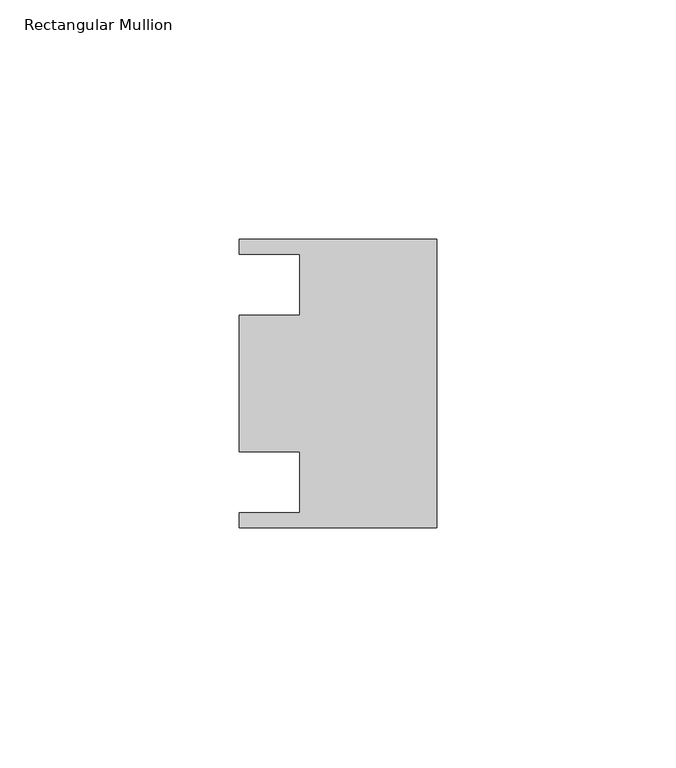
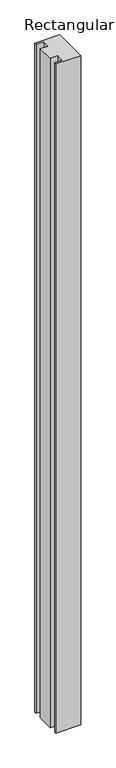
"""IFC4 building model written with IfcOpenShell, lengths in millimetres: member geometry, Rectangular Mullion."""

from ifc_helpers import new_model, si_unit, frame, origin, place, context, project, spatial, polyline, outline, extrude, source, transform, mapped, element, save


def rectangular_mullion_6059dc64(model_context):
    return source(origin(), model_context, "Body", "SweptSolid", [
        extrude(outline(polyline([(0.0, -30.1625), (-41.275, -30.1625), (-41.275, -26.9875), (-28.575, -26.9875), (-28.575, -14.2875), (-41.275, -14.2875), (-41.275, 14.2875), (-28.575, 14.2875), (-28.575, 26.9875), (-41.275, 26.9875), (-41.275, 30.1625), (0.0, 30.1625), (0.0, -30.1625)])), frame((0.0, 0.0, -1177.925), z_axis=(0.0, 0.0, 1.0), x_axis=(1.0, 0.0, 0.0)), (0.0, 0.0, 1.0), 1177.925),
    ])


if __name__ == "__main__":
    model = new_model("IFC4")
    model_context = context("Model", 3, world=origin())
    ifc_project = project(units=[si_unit("LENGTHUNIT", "METRE", prefix="MILLI")], contexts=[model_context])
    site = spatial("IfcSite", under=ifc_project)
    building = spatial("IfcBuilding", under=site)
    placement = place(None, origin())
    rectangular_mullion_shape = rectangular_mullion_6059dc64(model_context)
    element("IfcMember", 1, ObjectType="Rectangular Mullion", at=placement, inside=building, context=model_context, shape_type="MappedRepresentation", body=[
        mapped(rectangular_mullion_shape, transform((0.0, 0.0, 0.0), x_axis=(1.0, 0.0, 0.0), y_axis=(0.0, 1.0, 0.0), z_axis=(0.0, 0.0, 1.0))),
    ])
    save(model, "model.ifc")
